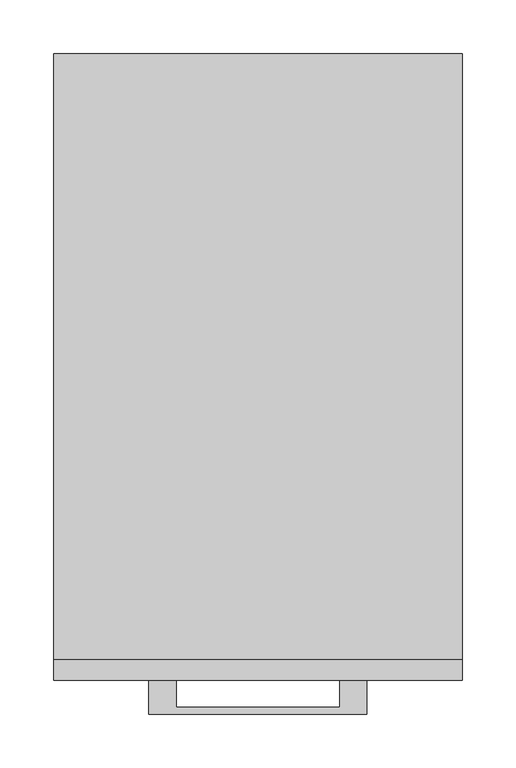
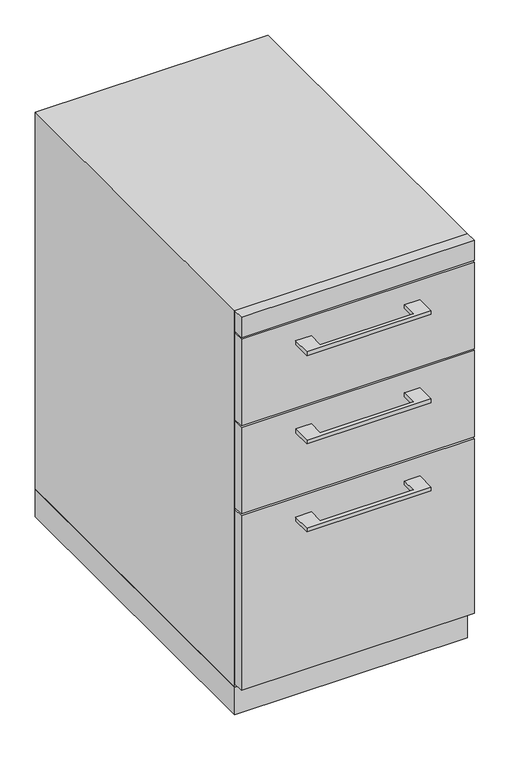
"""IFC4 building model written with IfcOpenShell, lengths in millimetres: furniture geometry."""

import ifcopenshell
import ifcopenshell.guid

model = None  # the IFC model being written
_history = None  # IfcOwnerHistory: only IFC2X3 demands one
_inside = {}  # id of a spatial element -> (the spatial element, [elements in it])
_under = {}  # id of a project, library or spatial element -> (it, [spatial elements below it])
_declared = {}  # id of a project -> (the project, [libraries it declares])
_typed = {}  # id of a type object -> (the type object, [elements of that type])
_made_of = {}  # id of a material, layer set ... -> (it, [elements and type objects made of it])


def new_model(schema):
    """Start an empty IFC model of exactly this schema.

    Asked for "IFC4X3", IfcOpenShell would pick the latest addendum, in which some entities
    have other attributes; the version numbers below select the first issue.
    IFC2X3 requires an IfcOwnerHistory on every rooted entity: one is made here for all.
    """
    global model, _history
    if schema == "IFC4X3":
        model = ifcopenshell.file(schema_version=(4, 3, 0, 0))
    else:
        model = ifcopenshell.file(schema=schema)
    _inside.clear()
    _under.clear()
    _declared.clear()
    _typed.clear()
    _made_of.clear()
    _history = None
    if model.schema == "IFC2X3":
        org = make("IfcOrganization", Name="unknown")
        user = make(
            "IfcPersonAndOrganization",
            ThePerson=make("IfcPerson", FamilyName="unknown"),
            TheOrganization=org,
        )
        app = make(
            "IfcApplication",
            ApplicationDeveloper=org,
            Version="unknown",
            ApplicationFullName="unknown",
            ApplicationIdentifier="unknown",
        )
        _history = make(
            "IfcOwnerHistory",
            OwningUser=user,
            OwningApplication=app,
            ChangeAction="ADDED",
            CreationDate=0,
        )
    return model


def make(cls, **values):
    """One entity of the class cls with the attributes given. An attribute that is None is left unset."""
    return model.create_entity(
        cls, **{name: value for name, value in values.items() if value is not None}
    )


def rooted(cls, **values):
    """An entity with a GlobalId (a new one), such as an element, a storey or a relation."""
    return make(cls, GlobalId=ifcopenshell.guid.new(), OwnerHistory=_history, **values)


def si_unit(unit_type, name, prefix=None):
    """IfcSIUnit, for example si_unit("LENGTHUNIT", "METRE", prefix="MILLI")."""
    return make("IfcSIUnit", UnitType=unit_type, Prefix=prefix, Name=name)


def assignment(units):
    """IfcUnitAssignment: the units of a project."""
    return None if units is None else make("IfcUnitAssignment", Units=units)


def point(xyz):
    """IfcCartesianPoint."""
    return None if xyz is None else make("IfcCartesianPoint", Coordinates=xyz)


def direction(xyz):
    """IfcDirection."""
    return None if xyz is None else make("IfcDirection", DirectionRatios=xyz)


def frame(location, z_axis=None, x_axis=None):
    """IfcAxis2Placement3D, a coordinate frame: its origin and axes. An axis left out is left unset."""
    return make(
        "IfcAxis2Placement3D",
        Location=point(location),
        Axis=direction(z_axis),
        RefDirection=direction(x_axis),
    )


def origin():
    """The frame at (0, 0, 0) with its axes left unset."""
    return frame((0.0, 0.0, 0.0))


def origin_with_axes():
    """The frame at (0, 0, 0) with the z axis (0, 0, 1) and the x axis (1, 0, 0) written out."""
    return frame((0.0, 0.0, 0.0), z_axis=(0.0, 0.0, 1.0), x_axis=(1.0, 0.0, 0.0))


def place(relative_to, where):
    """IfcLocalPlacement: puts the frame where relative to a parent placement (None: the world)."""
    return make(
        "IfcLocalPlacement", PlacementRelTo=relative_to, RelativePlacement=where
    )


def context(
    kind, dimensions, precision=None, world=None, true_north=None, identifier=None
):
    """IfcGeometricRepresentationContext, for example the 3D "Model" context."""
    return make(
        "IfcGeometricRepresentationContext",
        ContextIdentifier=identifier,
        ContextType=kind,
        CoordinateSpaceDimension=dimensions,
        Precision=precision,
        WorldCoordinateSystem=world,
        TrueNorth=true_north,
    )


def project(units=None, contexts=None):
    """IfcProject with its units and contexts."""
    return rooted(
        "IfcProject",
        Name="project",
        RepresentationContexts=contexts,
        UnitsInContext=assignment(units),
    )


def spatial(cls, under=None, at=None, **own):
    """A site, building, storey or space (cls), placed at a placement, below another one or the project."""
    s = rooted(cls, ObjectPlacement=at, **own)
    if under is not None:
        _under.setdefault(under.id(), (under, []))[1].append(s)
    return s


def polyline(points):
    """IfcPolyline through the points."""
    return make("IfcPolyline", Points=[point(p) for p in points])


def outline(outer, holes=None, kind="AREA"):
    """IfcArbitraryClosedProfileDef: a profile drawn as a closed curve; with holes, ...WithVoids."""
    if holes is None:
        return make("IfcArbitraryClosedProfileDef", ProfileType=kind, OuterCurve=outer)
    return make(
        "IfcArbitraryProfileDefWithVoids",
        ProfileType=kind,
        OuterCurve=outer,
        InnerCurves=holes,
    )


def extrude(swept, where, along, depth):
    """IfcExtrudedAreaSolid: the profile swept, set in the frame where, extruded along a direction by depth."""
    return make(
        "IfcExtrudedAreaSolid",
        SweptArea=swept,
        Position=where,
        ExtrudedDirection=direction(along),
        Depth=depth,
    )


def shape(context_of_items, identifier, shape_type, items):
    """IfcShapeRepresentation: the items that make up one representation, for example the "Body"."""
    return make(
        "IfcShapeRepresentation",
        ContextOfItems=context_of_items,
        RepresentationIdentifier=identifier,
        RepresentationType=shape_type,
        Items=items,
    )


def source(mapping_origin, context_of_items, identifier, shape_type, items):
    """IfcRepresentationMap: a shape defined once, which mapped items show again and again."""
    return make(
        "IfcRepresentationMap",
        MappingOrigin=mapping_origin,
        MappedRepresentation=shape(context_of_items, identifier, shape_type, items),
    )


def transform(
    local_origin,
    x_axis=None,
    y_axis=None,
    z_axis=None,
    scale=None,
    scale2=None,
    scale3=None,
    uniform=True,
):
    """IfcCartesianTransformationOperator3D, or its non-uniform kind. x_axis, y_axis, z_axis: its Axis1, 2, 3."""
    if uniform:
        return make(
            "IfcCartesianTransformationOperator3D",
            Axis1=direction(x_axis),
            Axis2=direction(y_axis),
            LocalOrigin=point(local_origin),
            Scale=scale,
            Axis3=direction(z_axis),
        )
    return make(
        "IfcCartesianTransformationOperator3DnonUniform",
        Axis1=direction(x_axis),
        Axis2=direction(y_axis),
        LocalOrigin=point(local_origin),
        Scale=scale,
        Axis3=direction(z_axis),
        Scale2=scale2,
        Scale3=scale3,
    )


def mapped(mapping_source, mapping_target):
    """IfcMappedItem: shows the shape of a source again, moved by a transform."""
    return make(
        "IfcMappedItem", MappingSource=mapping_source, MappingTarget=mapping_target
    )


def made_of(thing, what):
    """Note that an element or type object is made of a material, layer set ...; save() writes the relation."""
    if what is not None:
        _made_of.setdefault(what.id(), (what, []))[1].append(thing)
    return thing


def element(
    cls,
    number,
    at=None,
    inside=None,
    cuts=None,
    type_object=None,
    material=None,
    context=None,
    identifier="Body",
    shape_type=None,
    held_by="IfcProductDefinitionShape",
    body=None,
    shapes=None,
    **own,
):
    """One element of the class cls, such as IfcWall. Its Tag is "e" and its number.

    at: its placement. inside: the storey or other place that contains it. cuts: it is an
    opening in that element (IfcRelVoidsElement). A single representation is given by context,
    identifier, shape_type and body (its items); several are given by shapes. held_by: the class
    of the entity that holds the representations. save() writes the other relations.
    """
    e = rooted(cls, Tag="e%d" % number, ObjectPlacement=at, **own)
    if body is not None:
        shapes = [shape(context, identifier, shape_type, body)]
    if shapes is not None:
        e.Representation = make(held_by, Representations=shapes)
    if inside is not None:
        _inside.setdefault(inside.id(), (inside, []))[1].append(e)
    if cuts is not None:
        rooted(
            "IfcRelVoidsElement", RelatingBuildingElement=cuts, RelatedOpeningElement=e
        )
    if type_object is not None:
        _typed.setdefault(type_object.id(), (type_object, []))[1].append(e)
    return made_of(e, material)


def aggregate(whole, parts):
    """IfcRelAggregates: a whole, such as a stair, and the parts it consists of."""
    return rooted("IfcRelAggregates", RelatingObject=whole, RelatedObjects=parts)


def save(model, path):
    """Write the relations noted so far, then the file.

    IfcRelAggregates (storeys below a building ...), IfcRelContainedInSpatialStructure (elements
    in a storey), IfcRelDefinesByType, IfcRelAssociatesMaterial and IfcRelDeclares: one each for
    every whole, place, type object, material and project.
    """
    for whole, parts in _under.values():
        aggregate(whole, parts)
    for where, things in _inside.values():
        rooted(
            "IfcRelContainedInSpatialStructure",
            RelatedElements=things,
            RelatingStructure=where,
        )
    for kind, things in _typed.values():
        rooted("IfcRelDefinesByType", RelatedObjects=things, RelatingType=kind)
    for what, things in _made_of.values():
        rooted("IfcRelAssociatesMaterial", RelatedObjects=things, RelatingMaterial=what)
    for by, libraries in _declared.values():
        rooted("IfcRelDeclares", RelatingContext=by, RelatedDefinitions=libraries)
    model.write(path)


def furniture_0ba0aaf9(model_context):
    return source(origin(), model_context, "Body", "SweptSolid", [
        extrude(outline(polyline([(-76.1999818, -584.2), (-76.1999818, -609.5999758), (76.2, -609.5999758), (76.2, -584.2), (101.5999939, -584.2), (101.5999939, -615.9499879), (-101.5999939, -615.9499879), (-101.5999939, -584.2), (-76.1999818, -584.2)])), frame((0.0, 0.0, 468.3125506), z_axis=(0.0, 0.0, 1.0), x_axis=(1.0, 0.0, 0.0)), (0.0, 0.0, 1.0), 6.3499758),
        extrude(outline(polyline([(190.5, -565.15), (190.5, -584.2), (-190.5, -584.2), (-190.5, -565.15), (190.5, -565.15)])), frame((0.0, 0.0, 358.775), z_axis=(0.0, 0.0, 1.0), x_axis=(1.0, 0.0, 0.0)), (0.0, 0.0, 1.0), 149.225),
        extrude(outline(polyline([(-76.1999818, -584.2), (-76.1999818, -609.5999758), (76.2, -609.5999758), (76.2, -584.2), (101.5999939, -584.2), (101.5999939, -615.9499879), (-101.5999939, -615.9499879), (-101.5999939, -584.2), (-76.1999818, -584.2)])), frame((0.0, 0.0, 620.7125506), z_axis=(0.0, 0.0, 1.0), x_axis=(1.0, 0.0, 0.0)), (0.0, 0.0, 1.0), 6.3499758),
        extrude(outline(polyline([(190.5, -565.15), (190.5, -584.2), (-190.5, -584.2), (-190.5, -565.15), (190.5, -565.15)])), frame((0.0, 0.0, 511.175), z_axis=(0.0, 0.0, 1.0), x_axis=(1.0, 0.0, 0.0)), (0.0, 0.0, 1.0), 149.225),
        extrude(outline(polyline([(-76.1999818, -584.2), (-76.1999818, -609.5999758), (76.2, -609.5999758), (76.2, -584.2), (101.5999939, -584.2), (101.5999939, -615.9499879), (-101.5999939, -615.9499879), (-101.5999939, -584.2), (-76.1999818, -584.2)])), frame((0.0, 0.0, 315.9125506), z_axis=(0.0, 0.0, 1.0), x_axis=(1.0, 0.0, 0.0)), (0.0, 0.0, 1.0), 6.3499758),
        extrude(outline(polyline([(190.5, -565.15), (190.5, -584.2), (-190.5, -584.2), (-190.5, -565.15), (190.5, -565.15)])), frame((0.0, 0.0, 53.975), z_axis=(0.0, 0.0, 1.0), x_axis=(1.0, 0.0, 0.0)), (0.0, 0.0, 1.0), 301.625),
        extrude(outline(polyline([(190.5, 0.0), (190.5, -565.15), (-190.5, -565.15), (-190.5, 0.0), (190.5, 0.0)])), origin_with_axes(), (0.0, 0.0, 1.0), 47.625),
        extrude(outline(polyline([(190.5, -584.2), (-190.5, -584.2), (-190.5, -565.15), (190.5, -565.15), (190.5, -584.2)])), frame((0.0, 0.0, 663.575), z_axis=(0.0, 0.0, 1.0), x_axis=(1.0, 0.0, 0.0)), (0.0, 0.0, 1.0), 34.925),
        extrude(outline(polyline([(190.5, 0.0), (190.5, -565.15), (-190.5, -565.15), (-190.5, 0.0), (190.5, 0.0)])), frame((0.0, 0.0, 47.625), z_axis=(0.0, 0.0, 1.0), x_axis=(1.0, 0.0, 0.0)), (0.0, 0.0, 1.0), 650.875),
    ])


if __name__ == "__main__":
    model = new_model("IFC4")
    model_context = context("Model", 3, world=origin())
    ifc_project = project(units=[si_unit("LENGTHUNIT", "METRE", prefix="MILLI")], contexts=[model_context])
    site = spatial("IfcSite", under=ifc_project)
    building = spatial("IfcBuilding", under=site)
    placement = place(None, origin())
    furniture_shape = furniture_0ba0aaf9(model_context)
    element("IfcFurniture", 1, at=placement, inside=building, context=model_context, shape_type="MappedRepresentation", body=[
        mapped(furniture_shape, transform((0.0, 0.0, 0.0), x_axis=(1.0, 0.0, 0.0), y_axis=(0.0, 1.0, 0.0), z_axis=(0.0, 0.0, 1.0))),
    ])
    save(model, "model.ifc")
